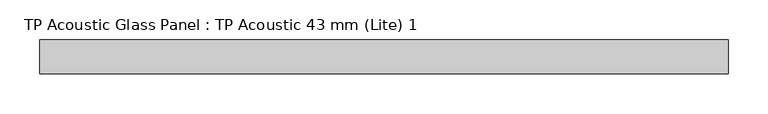
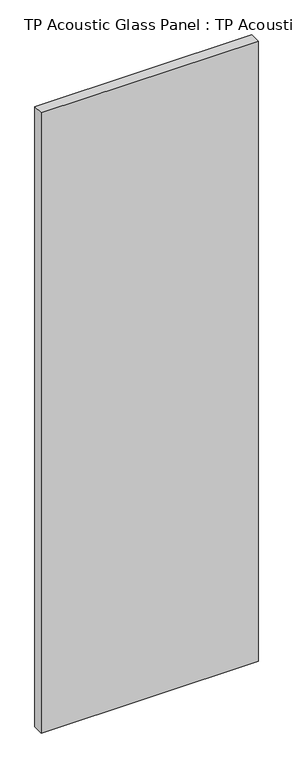
"""IFC4 building model written with IfcOpenShell, lengths in millimetres: plate geometry, TP Acoustic Glass Panel : TP Acoustic 43 mm (Lite) 1."""

from ifc_helpers import new_model, si_unit, origin, origin_with_axes, place, context, project, spatial, polyline, outline, extrude, source, transform, mapped, element, save


def tp_acoustic_glass_panel_tp_acoustic_43_mm_lite_1_b53edd9a(model_context):
    return source(origin(), model_context, "Body", "SweptSolid", [
        extrude(outline(polyline([(434.75, -21.5), (-434.75, -21.5), (-434.75, 21.5), (434.75, 21.5), (434.75, -21.5)])), origin_with_axes(), (0.0, 0.0, 1.0), 2628.0),
    ])


if __name__ == "__main__":
    model = new_model("IFC4")
    model_context = context("Model", 3, world=origin())
    ifc_project = project(units=[si_unit("LENGTHUNIT", "METRE", prefix="MILLI")], contexts=[model_context])
    site = spatial("IfcSite", under=ifc_project)
    building = spatial("IfcBuilding", under=site)
    placement = place(None, origin())
    tp_acoustic_glass_panel_tp_acoustic_43_mm_lite_1_shape = tp_acoustic_glass_panel_tp_acoustic_43_mm_lite_1_b53edd9a(model_context)
    element("IfcPlate", 1, ObjectType="TP Acoustic Glass Panel : TP Acoustic 43 mm (Lite) 1", at=placement, inside=building, context=model_context, shape_type="MappedRepresentation", body=[
        mapped(tp_acoustic_glass_panel_tp_acoustic_43_mm_lite_1_shape, transform((0.0, 0.0, 0.0), x_axis=(1.0, 0.0, 0.0), y_axis=(0.0, 1.0, 0.0), z_axis=(0.0, 0.0, 1.0))),
    ])
    save(model, "model.ifc")
